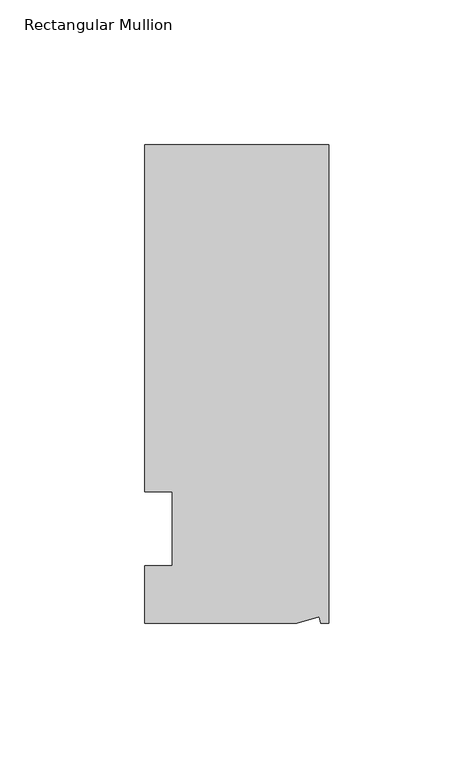
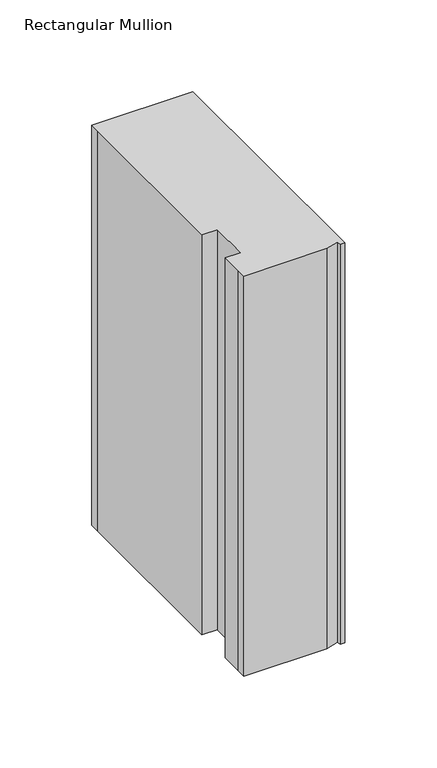
"""IFC4 building model written with IfcOpenShell, lengths in millimetres: member geometry, Rectangular Mullion."""

from ifc_helpers import new_model, si_unit, origin, place, context, project, spatial, faceted_brep, source, transform, mapped, element, save


def rectangular_mullion_96e33f64(model_context):
    return source(origin(), model_context, "Body", "Brep", [
        faceted_brep([(0.0, 132.5561012, 0.0), (-63.5, 132.5561012, 0.0), (-63.5, 126.2061012, 0.0), (-63.5, 12.8488281, 0.0), (-53.975, 12.8488281, 0.0), (-53.975, -12.7, 0.0), (-63.5, -12.7, 0.0), (-63.5, -26.1938988, 0.0), (-63.5076469, -32.5438988, 0.0), (-11.1125, -32.5438988, 0.0), (-3.3223696, -30.4565397, 0.0), (-2.7630634, -32.5438988, 0.0), (0.0, -32.5438988, 0.0), (0.0, 132.5561012, -265.75385), (0.0, -32.5438988, -265.75385), (-2.7630634, -32.5438988, -265.75385), (-3.3223696, -30.4565397, -265.75385), (-11.1125, -32.5438988, -265.75385), (-63.5076469, -32.5438988, -265.75385), (-63.5076469, -26.1938988, -265.75385), (-63.5, -12.7, -265.75385), (-53.975, -12.7, -265.75385), (-53.975, 12.8488281, -265.75385), (-63.5, 12.8488281, -265.75385), (-63.5, 126.2061012, -265.75385), (-63.5, 132.5561012, -265.75385)], [[[0, 1, 2, 3, 4, 5, 6, 7, 8, 9, 10, 11, 12]], [[13, 14, 15, 16, 17, 18, 19, 20, 21, 22, 23, 24, 25]], [[0, 12, 14, 13]], [[1, 0, 13, 25]], [[3, 2, 24, 23]], [[4, 3, 23, 22]], [[5, 4, 22, 21]], [[6, 5, 21, 20]], [[7, 6, 20, 19]], [[9, 8, 18, 17]], [[10, 9, 17, 16]], [[11, 10, 16, 15]], [[12, 11, 15, 14]], [[2, 1, 25, 24]], [[8, 7, 19, 18]]]),
    ])


if __name__ == "__main__":
    model = new_model("IFC4")
    model_context = context("Model", 3, world=origin())
    ifc_project = project(units=[si_unit("LENGTHUNIT", "METRE", prefix="MILLI")], contexts=[model_context])
    site = spatial("IfcSite", under=ifc_project)
    building = spatial("IfcBuilding", under=site)
    placement = place(None, origin())
    rectangular_mullion_shape = rectangular_mullion_96e33f64(model_context)
    element("IfcMember", 1, ObjectType="Rectangular Mullion", at=placement, inside=building, context=model_context, shape_type="MappedRepresentation", body=[
        mapped(rectangular_mullion_shape, transform((0.0, 0.0, 0.0), x_axis=(1.0, 0.0, 0.0), y_axis=(0.0, 1.0, 0.0), z_axis=(0.0, 0.0, 1.0))),
    ])
    save(model, "model.ifc")
